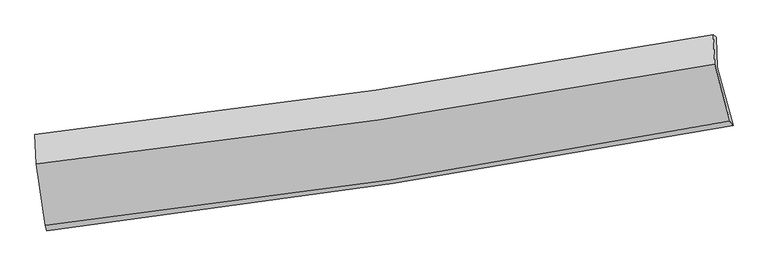
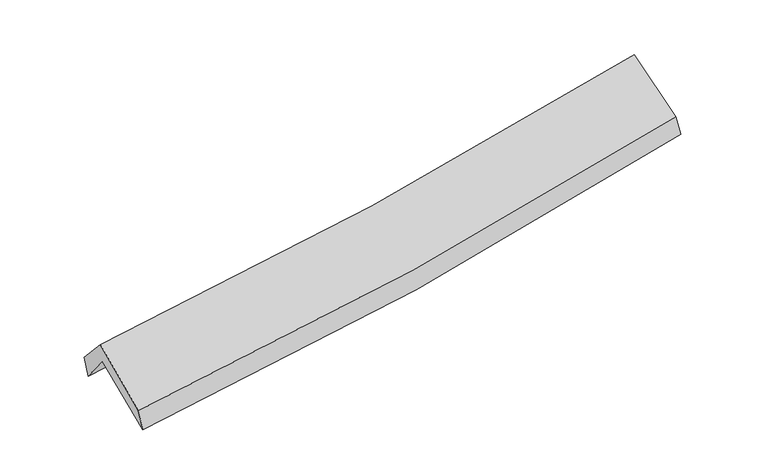
"""IFC4 building model written with IfcOpenShell, lengths in millimetres: proxy geometry."""

from ifc_helpers import new_model, si_unit, frame, origin, place, context, project, spatial, source, transform, mapped, element, save
from ifc_brep_helpers import plane_surface, spline_curve, spline_surface, advanced_brep


def generic_models_c1226b3c(model_context):
    return source(origin(), model_context, "Body", "AdvancedBrep", [
        advanced_brep(
        [(-2865.4114729, -2536.3458569, 1467.3199819), (-2946.0888344, -1975.6376489, 1876.0237132), (2868.8046382, -1131.0176441, 2398.266099), (3005.5954363, -1632.8348136, 1966.9660565), (-2953.4347594, -1746.1747698, 1578.9103926), (2859.4127418, -874.964473, 2088.3353804), (-2967.3904591, -1709.2120349, 1762.1002392), (2837.4007404, -855.2320145, 2251.2342478), (-2956.8182277, -1962.2385012, 2045.0070731), (2848.0098917, -1105.7252424, 2541.9655681), (-2880.0834963, -2486.0816452, 1638.5418115), (2979.0450386, -1593.7507276, 2140.0335343)],
        [
            (0, 1),
            (1, 2, spline_curve(3, [(-2946.0888344, -1975.6376489, 1876.0237132), (-1965.507499896, -1877.37156186, 1935.456127878), (-989.166433221, -1757.571284375, 2008.869082777), (949.079594018, -1475.768232922, 2183.120656547), (1911.036351881, -1314.028508847, 2283.788497064), (2868.8046382, -1131.0176441, 2398.266099)], [4, 2, 4], [0.0, 9.761444780228418, 19.46308613265076])),
            (2, 3),
            (3, 0, spline_curve(3, [(3005.5954363, -1632.8348136, 1966.9660565), (2039.053516545, -1812.65717797, 1842.545600009), (1068.049035204, -1977.675227349, 1738.762528457), (-888.898081478, -2279.028652983, 1571.958624618), (-1874.895903354, -2415.180951326, 1509.19300439), (-2865.4114729, -2536.3458569, 1467.3199819)], [4, 2, 4], [0.0, 9.70164135242234, 19.46308613265076])),
            (1, 4),
            (4, 5, spline_curve(3, [(-2953.4347594, -1746.1747698, 1578.9103926), (-1974.26160213, -1633.520730473, 1634.639948191), (-998.794008084, -1504.319085412, 1705.132471977), (938.776560535, -1213.713516819, 1875.121137412), (1900.924800087, -1052.511729397, 1974.436943375), (2859.4127418, -874.964473, 2088.3353804)], [4, 2, 4], [0.0, 9.710699735665482, 19.36190693270957])),
            (5, 2),
            (4, 6),
            (6, 7, spline_curve(3, [(-2967.3904591, -1709.2120349, 1762.1002392), (-1990.498470449, -1599.042904315, 1818.323337819), (-1016.84344648, -1472.524589721, 1887.360552378), (918.047412366, -1187.664870474, 2050.561752377), (1879.322788065, -1029.523178007, 2144.569207192), (2837.4007404, -855.2320145, 2251.2342478)], [4, 2, 4], [0.0, 9.70063112317569, 19.341831393018758])),
            (7, 5),
            (6, 8),
            (8, 9, spline_curve(3, [(-2956.8182277, -1962.2385012, 2045.0070731), (-1979.408364789, -1853.763873881, 2101.429136102), (-1005.492103954, -1727.877805595, 2171.221581212), (929.407926858, -1442.160697065, 2337.037737873), (1890.434372084, -1282.542346207, 2432.898124798), (2848.0098917, -1105.7252424, 2541.9655681)], [4, 2, 4], [0.0, 9.691473439269265, 19.323572129696657])),
            (9, 7),
            (8, 10),
            (10, 11, spline_curve(3, [(-2880.0834963, -2486.0816452, 1638.5418115), (-1891.697166983, -2375.725675617, 1693.898829629), (-907.75665107, -2245.898650625, 1763.54048231), (1045.23188636, -1948.21716389, 1930.878883437), (2014.334215141, -1780.600549613, 2028.401138183), (2979.0450386, -1593.7507276, 2140.0335343)], [4, 2, 4], [0.0, 9.741464189969957, 19.42324736308979])),
            (11, 9),
            (10, 0),
            (3, 11),
        ],
        [
            spline_surface(3, 3, [[(-2865.4114729, -2536.3458569, 1467.3199819), (-1874.895903308, -2415.180951221, 1509.193004364), (-888.898081513, -2279.02865294, 1571.958624495), (1068.049035238, -1977.675227391, 1738.762528579), (2039.053516469, -1812.657177888, 1842.545599972), (3005.5954363, -1632.8348136, 1966.9660565)], [(-2892.30392671, -2349.443120898, 1603.554559025), (-1905.099768789, -2235.911154792, 1651.280712248), (-922.32086545, -2105.209530106, 1717.595443923), (1028.392554847, -1810.372895911, 1886.881904612), (1996.381128232, -1646.447621534, 1989.626565707), (2959.998503586, -1465.562423763, 2110.73273736)], [(-2919.19638059, -2162.540384902, 1739.789136075), (-1935.303634339, -2056.641358369, 1793.368420056), (-955.743649358, -1931.390407226, 1863.232263284), (988.736074483, -1643.070564385, 2035.001280579), (1953.708740037, -1480.238065193, 2136.707531363), (2914.401570914, -1298.290033937, 2254.49941814)], [(-2946.0888344, -1975.6376489, 1876.0237132), (-1965.507499821, -1877.37156194, 1935.45612794), (-989.166433295, -1757.571284392, 2008.869082711), (949.079594092, -1475.768232905, 2183.120656613), (1911.036351799, -1314.02850884, 2283.788497098), (2868.8046382, -1131.0176441, 2398.266099)]], [4, 4], [4, 2, 4], [0.0, 2.244493215709052], [0.0, 9.761444780228418, 19.46308613265076]),
            spline_surface(3, 3, [[(-2946.0888344, -1975.6376489, 1876.0237132), (-1965.507499821, -1877.37156194, 1935.45612794), (-989.166433295, -1757.571284392, 2008.869082711), (949.079594092, -1475.768232905, 2183.120656613), (1911.036351799, -1314.02850884, 2283.788497098), (2868.8046382, -1131.0176441, 2398.266099)], [(-2948.537476071, -1899.150022545, 1776.98593965), (-1968.425533981, -1796.087951416, 1835.184068054), (-992.375624886, -1673.153884749, 1907.62354576), (945.645249572, -1388.416660835, 2080.454150227), (1907.665834559, -1226.856248997, 2180.671312439), (2865.674006076, -1045.666587068, 2294.955859435)], [(-2950.986117729, -1822.662396155, 1677.94816615), (-1971.343568128, -1714.804340857, 1734.912008219), (-995.584816483, -1588.736485143, 1806.378008846), (942.210905046, -1301.065088802, 1977.787643879), (1904.295317291, -1139.683989151, 2077.554127875), (2862.543373924, -960.315530032, 2191.645619965)], [(-2953.4347594, -1746.1747698, 1578.9103926), (-1974.261602288, -1633.520730333, 1634.639948333), (-998.794008074, -1504.3190855, 1705.132471895), (938.776560526, -1213.713516732, 1875.121137493), (1900.924800051, -1052.511729307, 1974.436943216), (2859.4127418, -874.964473, 2088.3353804)]], [4, 4], [4, 2, 4], [0.0, 1.3124089863910904], [0.0, 9.710699735665482, 19.36190693270957]),
            spline_surface(3, 3, [[(-2953.4347594, -1746.1747698, 1578.9103926), (-1974.261602288, -1633.520730333, 1634.639948333), (-998.794008074, -1504.3190855, 1705.132471895), (938.776560526, -1213.713516732, 1875.121137493), (1900.924800051, -1052.511729307, 1974.436943216), (2859.4127418, -874.964473, 2088.3353804)], [(-2958.086659324, -1733.85385816, 1639.973674805), (-1979.673891696, -1622.028121638, 1695.867744834), (-1004.810487521, -1493.720920304, 1765.875165428), (931.866844503, -1205.03063463, 1933.601342417), (1893.724129445, -1044.848878863, 2031.147697869), (2852.075408007, -868.386986831, 2142.635002885)], [(-2962.738559176, -1721.53294654, 1701.036956995), (-1985.086181031, -1610.535512963, 1757.095541321), (-1010.826967047, -1483.122755037, 1826.61785896), (924.957128401, -1196.347752457, 1992.081547339), (1886.523458816, -1037.186028426, 2087.858452465), (2844.738074193, -861.809500669, 2196.934625315)], [(-2967.3904591, -1709.2120349, 1762.1002392), (-1990.498470439, -1599.042904268, 1818.323337822), (-1016.843446493, -1472.524589841, 1887.360552493), (918.047412379, -1187.664870355, 2050.561752263), (1879.32278821, -1029.523177981, 2144.569207117), (2837.4007404, -855.2320145, 2251.2342478)]], [4, 4], [4, 2, 4], [0.0, 0.5978178931550249], [0.0, 9.70063112317569, 19.341831393018758]),
            spline_surface(3, 3, [[(-2967.3904591, -1709.2120349, 1762.1002392), (-1990.498470439, -1599.042904268, 1818.323337822), (-1016.843446493, -1472.524589841, 1887.360552493), (918.047412379, -1187.664870355, 2050.561752263), (1879.32278821, -1029.523177981, 2144.569207117), (2837.4007404, -855.2320145, 2251.2342478)], [(-2963.86638196, -1793.55419033, 1856.402517158), (-1986.80176857, -1683.949894155, 1912.691937273), (-1013.059665606, -1557.642328353, 1981.980895359), (921.834250488, -1272.496812612, 2146.053747517), (1883.026649501, -1113.862900676, 2240.678846329), (2840.937124143, -938.729757121, 2348.144687881)], [(-2960.34230484, -1877.89634577, 1950.704795142), (-1983.105066721, -1768.856884051, 2007.060536749), (-1009.275884703, -1642.760066943, 2076.60123821), (925.621088612, -1357.328754947, 2241.545742754), (1886.730510864, -1198.202623408, 2336.788485598), (2844.473507957, -1022.227499779, 2445.055128019)], [(-2956.8182277, -1962.2385012, 2045.0070731), (-1979.408364852, -1853.763873937, 2101.429136199), (-1005.492103816, -1727.877805455, 2171.221581076), (929.40792672, -1442.160697204, 2337.037738008), (1890.434372155, -1282.542346103, 2432.89812481), (2848.0098917, -1105.7252424, 2541.9655681)]], [4, 4], [4, 2, 4], [0.0, 1.255466016763115], [0.0, 9.691473439269265, 19.323572129696657]),
            spline_surface(3, 3, [[(-2956.8182277, -1962.2385012, 2045.0070731), (-1979.408364852, -1853.763873937, 2101.429136199), (-1005.492103816, -1727.877805455, 2171.221581076), (929.40792672, -1442.160697204, 2337.037738008), (1890.434372155, -1282.542346103, 2432.89812481), (2848.0098917, -1105.7252424, 2541.9655681)], [(-2931.239983902, -2136.852882536, 1909.518652586), (-1950.171298907, -2027.751141191, 1965.585700711), (-972.913619579, -1900.551420569, 2035.327881541), (968.015913226, -1610.846186075, 2201.651453125), (1931.73431987, -1448.561747246, 2298.065795954), (2891.688274, -1268.400404131, 2407.988223529)], [(-2905.661740098, -2311.467263864, 1774.030232014), (-1920.934232956, -2201.738408435, 1829.742265164), (-940.335135264, -2073.225035633, 1899.434181965), (1006.623899811, -1779.531674898, 2066.2651682), (1973.034267584, -1614.581148396, 2163.233467012), (2935.3666563, -1431.075565869, 2274.010878871)], [(-2880.0834963, -2486.0816452, 1638.5418115), (-1891.697167011, -2375.725675688, 1693.898829676), (-907.756651026, -2245.898650746, 1763.540482431), (1045.231886317, -1948.21716377, 1930.878883317), (2014.334215298, -1780.600549539, 2028.401138156), (2979.0450386, -1593.7507276, 2140.0335343)]], [4, 4], [4, 2, 4], [0.0, 2.1742808460914183], [0.0, 9.741464189969957, 19.42324736308979]),
            spline_surface(3, 3, [[(-2880.0834963, -2486.0816452, 1638.5418115), (-1891.697167011, -2375.725675688, 1693.898829676), (-907.756651026, -2245.898650746, 1763.540482431), (1045.231886317, -1948.21716377, 1930.878883317), (2014.334215298, -1780.600549539, 2028.401138156), (2979.0450386, -1593.7507276, 2140.0335343)], [(-2875.192821833, -2502.836382431, 1581.467868276), (-1886.096745775, -2388.877434196, 1632.330221214), (-901.470461177, -2256.941984794, 1699.67986309), (1052.837602636, -1958.036518293, 1866.840098375), (2022.573982376, -1791.286092341, 1966.449292071), (2987.895171188, -1606.778756286, 2082.34437501)], [(-2870.302147367, -2519.591119669, 1524.393925124), (-1880.496324543, -2402.029192713, 1570.761612826), (-895.184271363, -2267.985318892, 1635.819243836), (1060.443318919, -1967.855872867, 1802.801313521), (2030.813749391, -1801.971635085, 1904.497446057), (2996.745303712, -1619.806784914, 2024.65521579)], [(-2865.4114729, -2536.3458569, 1467.3199819), (-1874.895903308, -2415.180951221, 1509.193004364), (-888.898081513, -2279.02865294, 1571.958624495), (1068.049035238, -1977.675227391, 1738.762528579), (2039.053516469, -1812.657177888, 1842.545599972), (3005.5954363, -1632.8348136, 1966.9660565)]], [4, 4], [4, 2, 4], [0.0, 0.6413947035225751], [0.0, 9.801504578215265, 19.54296030253326]),
            plane_surface(frame((2899.7114145, -1198.9208192, 2231.133481), z_axis=(0.9789409951051415, 0.17095633090181817, 0.11157267150670633), x_axis=(0.2029447736959899, -0.7558447026842988, -0.6225047825146144))),
            plane_surface(frame((-2928.2045416, -2069.2817428, 1727.9838686), z_axis=(-0.9931769987782352, -0.10288417365560137, -0.054902603845919176), x_axis=(-0.08194401364580374, 0.28072823603463176, 0.9562828222448109))),
        ],
        [
            (0, [[1, 2, 3, 4]]),
            (1, [[5, 6, 7, -2]]),
            (2, [[8, 9, 10, -6]]),
            (3, [[11, 12, 13, -9]]),
            (4, [[14, 15, 16, -12]]),
            (5, [[17, -4, 18, -15]]),
            (6, [[-16, -18, -3, -7, -10, -13]]),
            (7, [[-17, -14, -11, -8, -5, -1]]),
        ],
    ),
    ])


if __name__ == "__main__":
    model = new_model("IFC4")
    model_context = context("Model", 3, world=origin())
    ifc_project = project(units=[si_unit("LENGTHUNIT", "METRE", prefix="MILLI")], contexts=[model_context])
    site = spatial("IfcSite", under=ifc_project)
    building = spatial("IfcBuilding", under=site)
    placement = place(None, origin())
    generic_models_shape = generic_models_c1226b3c(model_context)
    element("IfcBuildingElementProxy", 1, Name="Generic Models", at=placement, inside=building, context=model_context, shape_type="MappedRepresentation", body=[
        mapped(generic_models_shape, transform((0.0, 0.0, 0.0), x_axis=(1.0, 0.0, 0.0), y_axis=(0.0, 1.0, 0.0), z_axis=(0.0, 0.0, 1.0))),
    ])
    save(model, "model.ifc")
